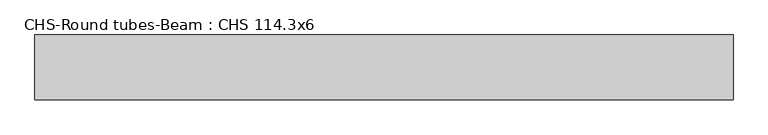
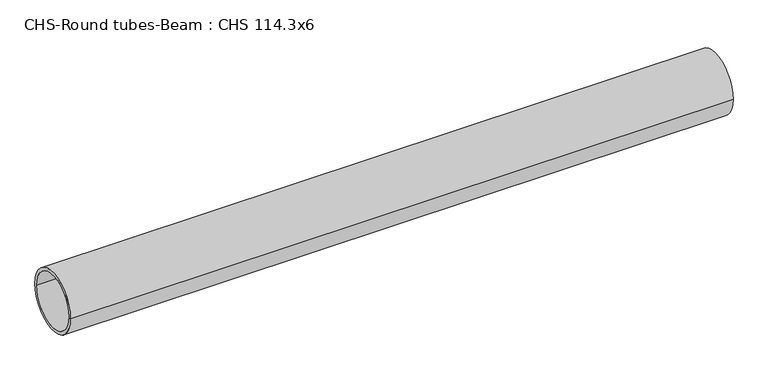
"""IFC4 building model written with IfcOpenShell, lengths in millimetres: beam geometry, CHS-Round tubes-Beam : CHS 114.3x6."""

from ifc_helpers import new_model, si_unit, point, frame, origin, origin_2d, place, context, project, spatial, circle_curve, trimmed, segment, composite_curve, outline, extrude, source, transform, mapped, element, save


def chs_round_tubes_beam_chs_114_3x6_dc53d149(model_context):
    return source(origin(), model_context, "Body", "SweptSolid", [
        extrude(outline(composite_curve([segment(trimmed(circle_curve(origin_2d(), 57.15), [point((57.15, 0.0))], [point((-57.15, 0.0))], False, "CARTESIAN"), True, "CONTINUOUS"), segment(trimmed(circle_curve(origin_2d(), 57.15), [point((-57.15, 0.0))], [point((57.15, 0.0))], False, "CARTESIAN"), True, "CONTINUOUS")], self_intersect=False), holes=[composite_curve([segment(trimmed(circle_curve(origin_2d(), 51.15), [point((51.15, 0.0))], [point((-51.15, 0.0))], True, "CARTESIAN"), True, "CONTINUOUS"), segment(trimmed(circle_curve(origin_2d(), 51.15), [point((-51.15, 0.0))], [point((51.15, 0.0))], True, "CARTESIAN"), True, "CONTINUOUS")], self_intersect=False)]), frame((-615.9284668, 0.0, 0.0), z_axis=(1.0, 0.0, 0.0), x_axis=(0.0, 1.0, 0.0)), (0.0, 0.0, 1.0), 1231.8542821),
    ])


if __name__ == "__main__":
    model = new_model("IFC4")
    model_context = context("Model", 3, world=origin())
    ifc_project = project(units=[si_unit("LENGTHUNIT", "METRE", prefix="MILLI")], contexts=[model_context])
    site = spatial("IfcSite", under=ifc_project)
    building = spatial("IfcBuilding", under=site)
    placement = place(None, origin())
    chs_round_tubes_beam_chs_114_3x6_shape = chs_round_tubes_beam_chs_114_3x6_dc53d149(model_context)
    element("IfcBeam", 1, ObjectType="CHS-Round tubes-Beam : CHS 114.3x6", at=placement, inside=building, context=model_context, shape_type="MappedRepresentation", body=[
        mapped(chs_round_tubes_beam_chs_114_3x6_shape, transform((0.0, 0.0, 0.0), x_axis=(1.0, 0.0, 0.0), y_axis=(0.0, 1.0, 0.0), z_axis=(0.0, 0.0, 1.0))),
    ])
    save(model, "model.ifc")
